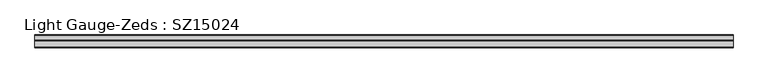
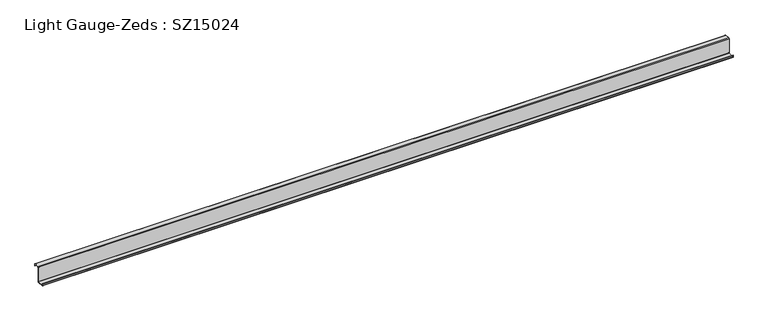
"""IFC4 building model written with IfcOpenShell, lengths in millimetres: beam geometry, Light Gauge-Zeds : SZ15024."""

from ifc_helpers import new_model, si_unit, point, frame, frame_2d, origin, place, context, project, spatial, polyline, circle_curve, trimmed, segment, composite_curve, outline, extrude, source, transform, mapped, element, save


def light_gauge_zeds_sz15024_07f5147e(model_context):
    return source(origin(), model_context, "Body", "SweptSolid", [
        extrude(outline(composite_curve([segment(trimmed(circle_curve(frame_2d((-4.4, -71.6)), 4.4), [point((0.0, -71.6))], [point((-4.4, -76.0))], False, "CARTESIAN"), True, "CONTINUOUS"), segment(polyline([(-4.4, -76.0), (-65.6, -76.0)]), True, "CONTINUOUS"), segment(trimmed(circle_curve(frame_2d((-65.6, -71.6)), 4.4), [point((-65.6, -76.0))], [point((-70.0, -71.6))], False, "CARTESIAN"), True, "CONTINUOUS"), segment(polyline([(-70.0, -71.6), (-70.0, -56.0), (-67.6, -56.0), (-67.6, -71.6)]), True, "CONTINUOUS"), segment(trimmed(circle_curve(frame_2d((-65.6, -71.6)), 2.0), [point((-67.6, -71.6))], [point((-65.6, -73.6))], True, "CARTESIAN"), True, "CONTINUOUS"), segment(polyline([(-65.6, -73.6), (-4.4, -73.6)]), True, "CONTINUOUS"), segment(trimmed(circle_curve(frame_2d((-4.4, -71.6)), 2.0), [point((-4.4, -73.6))], [point((-2.4, -71.6))], True, "CARTESIAN"), True, "CONTINUOUS"), segment(polyline([(-2.4, -71.6), (-2.4, 71.6)]), True, "CONTINUOUS"), segment(trimmed(circle_curve(frame_2d((2.0, 71.6)), 4.4), [point((-2.4, 71.6))], [point((2.0, 76.0))], False, "CARTESIAN"), True, "CONTINUOUS"), segment(polyline([(2.0, 76.0), (47.6, 76.0)]), True, "CONTINUOUS"), segment(trimmed(circle_curve(frame_2d((47.6, 71.6)), 4.4), [point((47.6, 76.0))], [point((52.0, 71.6))], False, "CARTESIAN"), True, "CONTINUOUS"), segment(polyline([(52.0, 71.6), (52.0, 57.0), (49.6, 57.0), (49.6, 71.6)]), True, "CONTINUOUS"), segment(trimmed(circle_curve(frame_2d((47.6, 71.6)), 2.0), [point((49.6, 71.6))], [point((47.6, 73.6))], True, "CARTESIAN"), True, "CONTINUOUS"), segment(polyline([(47.6, 73.6), (2.0, 73.6)]), True, "CONTINUOUS"), segment(trimmed(circle_curve(frame_2d((2.0, 71.6)), 2.0), [point((2.0, 73.6))], [point((0.0, 71.6))], True, "CARTESIAN"), True, "CONTINUOUS"), segment(polyline([(0.0, 71.6), (0.0, -71.6)]), True, "CONTINUOUS")], self_intersect=False)), frame((-3300.0, 0.0, 0.0), z_axis=(1.0, 0.0, 0.0), x_axis=(0.0, 1.0, 0.0)), (0.0, 0.0, 1.0), 6614.5066068),
    ])


if __name__ == "__main__":
    model = new_model("IFC4")
    model_context = context("Model", 3, world=origin())
    ifc_project = project(units=[si_unit("LENGTHUNIT", "METRE", prefix="MILLI")], contexts=[model_context])
    site = spatial("IfcSite", under=ifc_project)
    building = spatial("IfcBuilding", under=site)
    placement = place(None, origin())
    light_gauge_zeds_sz15024_shape = light_gauge_zeds_sz15024_07f5147e(model_context)
    element("IfcBeam", 1, ObjectType="Light Gauge-Zeds : SZ15024", at=placement, inside=building, context=model_context, shape_type="MappedRepresentation", body=[
        mapped(light_gauge_zeds_sz15024_shape, transform((0.0, 0.0, 0.0), x_axis=(1.0, 0.0, 0.0), y_axis=(0.0, 1.0, 0.0), z_axis=(0.0, 0.0, 1.0))),
    ])
    save(model, "model.ifc")
